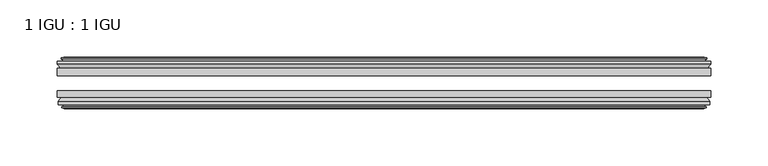
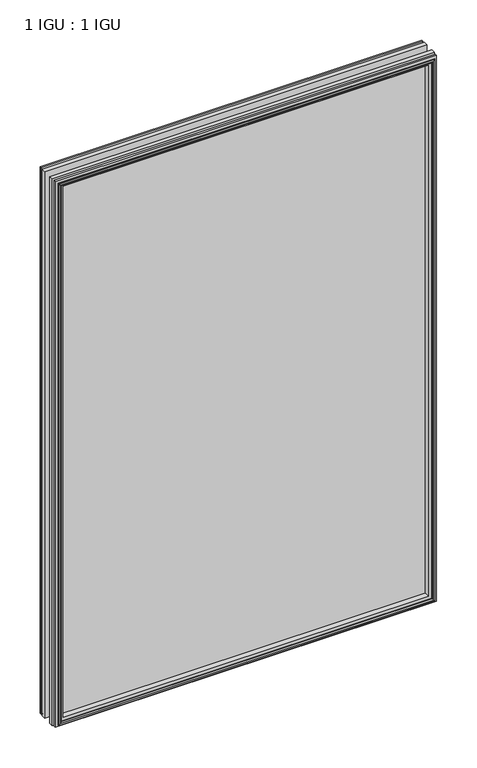
"""IFC4 building model written with IfcOpenShell, lengths in millimetres: plate geometry, 1 IGU : 1 IGU."""

from ifc_helpers import new_model, si_unit, frame, origin, place, context, project, spatial, polyline, outline, extrude, faceted_brep, source, transform, mapped, element, save


def plate_1_igu_1_igu_31ff0bc5(model_context):
    return source(origin(), model_context, "Body", "SolidModel", [
        extrude(outline(polyline([(285.7499997, -25.8960937), (285.7499997, -32.2460938), (-285.7499997, -32.2460938), (-285.7499997, -25.8960937), (285.7499997, -25.8960937)])), frame((0.0, 0.0, -12.7), z_axis=(0.0, 0.0, 1.0), x_axis=(1.0, 0.0, 0.0)), (0.0, 0.0, 1.0), 863.6),
        extrude(outline(polyline([(-285.7499997, -51.2960938), (-285.7499997, -45.2686737), (285.7499997, -45.2686737), (285.7499997, -51.2960938), (-285.7499997, -51.2960938)])), frame((0.0, 0.0, -12.7), z_axis=(0.0, 0.0, 1.0), x_axis=(1.0, 0.0, 0.0)), (0.0, 0.0, 1.0), 863.6),
        faceted_brep([(-280.1619997, -60.0262907, 845.312), (-280.5429997, -57.6460937, 845.693), (-280.5429997, -57.6460937, -7.493), (-280.1619997, -60.0262907, -7.112), (-281.5775287, -59.5663575, 846.727529), (-281.5775287, -59.5663575, -8.5275291), (-281.5775287, -60.3675717, 846.727529), (-281.5775287, -60.3675717, -8.5275291), (-279.3999997, -61.0750937, 844.55), (-279.3999997, -61.0750937, -6.35), (-277.2224706, -60.3675717, 842.3724709), (-277.2224706, -60.3675717, -4.1724709), (-277.2224706, -59.5663575, 842.3724709), (-277.2224706, -59.5663575, -4.1724709), (-278.6379997, -60.0262907, 843.788), (-278.6379997, -60.0262907, -5.588), (-278.2569997, -57.6460937, 843.407), (-278.2569997, -57.6460937, -5.207), (-271.3322816, -51.2960937, 836.4822819), (-273.0499997, -57.6460937, 838.2), (-273.0499997, -57.6460937, 0.0), (-271.3322816, -51.2960937, 1.7177181), (-284.9879997, -54.6996937, 850.138), (-282.1536575, -51.2960937, 847.3036578), (-282.1536575, -51.2960937, -9.1036578), (-284.9879997, -54.6996937, -11.938), (-284.9879997, -57.6460937, 850.138), (-284.9879997, -57.6460937, -11.938), (280.5429997, -57.6460938, -7.493), (280.1619997, -60.0262907, -7.112), (281.5775287, -59.5663575, -8.5275291), (281.5775287, -60.3675717, -8.5275291), (279.3999997, -61.0750937, -6.35), (277.2224706, -60.3675717, -4.1724709), (277.2224706, -59.5663575, -4.1724709), (278.6379997, -60.0262907, -5.588), (278.2569997, -57.6460937, -5.207), (273.0499997, -57.6460937, 0.0), (271.3322816, -51.2960937, 1.7177181), (282.1536575, -51.2960937, -9.1036578), (284.9879997, -54.6996937, -11.938), (284.9879997, -57.6460938, -11.938), (280.5429997, -57.6460938, 845.693), (280.1619997, -60.0262907, 845.312), (281.5775287, -59.5663575, 846.727529), (281.5775287, -60.3675717, 846.727529), (279.3999997, -61.0750937, 844.55), (277.2224706, -60.3675717, 842.3724709), (277.2224706, -59.5663575, 842.3724709), (278.6379997, -60.0262907, 843.788), (278.2569997, -57.6460937, 843.407), (273.0499997, -57.6460937, 838.2), (271.3322816, -51.2960937, 836.4822819), (282.1536575, -51.2960937, 847.3036578), (284.9879997, -54.6996937, 850.138), (284.9879997, -57.6460938, 850.138)], [[[0, 1, 2, 3]], [[4, 0, 3, 5]], [[6, 4, 5, 7]], [[8, 6, 7, 9]], [[10, 8, 9, 11]], [[12, 10, 11, 13]], [[14, 12, 13, 15]], [[16, 14, 15, 17]], [[18, 19, 20, 21]], [[22, 23, 24, 25]], [[26, 22, 25, 27]], [[3, 2, 28, 29]], [[5, 3, 29, 30]], [[7, 5, 30, 31]], [[9, 7, 31, 32]], [[11, 9, 32, 33]], [[13, 11, 33, 34]], [[15, 13, 34, 35]], [[17, 15, 35, 36]], [[21, 20, 37, 38]], [[25, 24, 39, 40]], [[27, 25, 40, 41]], [[29, 28, 42, 43]], [[30, 29, 43, 44]], [[31, 30, 44, 45]], [[32, 31, 45, 46]], [[33, 32, 46, 47]], [[34, 33, 47, 48]], [[35, 34, 48, 49]], [[36, 35, 49, 50]], [[38, 37, 51, 52]], [[40, 39, 53, 54]], [[41, 40, 54, 55]], [[27, 41, 55, 26], [1, 42, 28, 2]], [[43, 42, 1, 0]], [[44, 43, 0, 4]], [[45, 44, 4, 6]], [[46, 45, 6, 8]], [[47, 46, 8, 10]], [[48, 47, 10, 12]], [[49, 48, 12, 14]], [[50, 49, 14, 16]], [[17, 36, 50, 16], [19, 51, 37, 20]], [[52, 51, 19, 18]], [[23, 53, 39, 24], [21, 38, 52, 18]], [[54, 53, 23, 22]], [[55, 54, 22, 26]]]),
        faceted_brep([(-282.6743575, -25.8960937, 847.8243578), (-285.5086997, -22.4924937, 850.6587), (-285.5086997, -22.4924937, -12.4587), (-282.6743575, -25.8960937, -9.6243578), (-273.5706997, -19.5460937, 838.7207), (-271.8529816, -25.8960937, 837.0029819), (-271.8529816, -25.8960937, 1.1970181), (-273.5706997, -19.5460937, -0.5207), (-279.1586997, -17.1658968, 844.3087), (-278.7776997, -19.5460937, 843.9277), (-278.7776997, -19.5460937, -5.7277), (-279.1586997, -17.1658968, -6.1087), (-277.7431706, -17.62583, 842.8931709), (-277.7431706, -17.62583, -4.6931709), (-277.7431706, -16.8246158, 842.8931709), (-277.7431706, -16.8246158, -4.6931709), (-279.9206997, -16.1170937, 845.0707), (-279.9206997, -16.1170937, -6.8707), (-282.0982287, -16.8246158, 847.248229), (-282.0982287, -16.8246158, -9.0482291), (-282.0982287, -17.62583, 847.248229), (-282.0982287, -17.62583, -9.0482291), (-280.6826997, -17.1658968, 845.8327), (-280.6826997, -17.1658968, -7.6327), (-281.0636997, -19.5460937, 846.2137), (-281.0636997, -19.5460937, -8.0137), (-285.5086997, -19.5460937, 850.6587), (-285.5086997, -19.5460937, -12.4587), (285.5086997, -22.4924937, -12.4587), (282.6743575, -25.8960937, -9.6243578), (271.8529816, -25.8960937, 1.1970181), (273.5706997, -19.5460937, -0.5207), (278.7776997, -19.5460937, -5.7277), (279.1586997, -17.1658968, -6.1087), (277.7431706, -17.62583, -4.6931709), (277.7431706, -16.8246158, -4.6931709), (279.9206997, -16.1170937, -6.8707), (282.0982287, -16.8246158, -9.0482291), (282.0982287, -17.62583, -9.0482291), (280.6826997, -17.1658968, -7.6327), (281.0636997, -19.5460937, -8.0137), (285.5086997, -19.5460937, -12.4587), (285.5086997, -22.4924937, 850.6587), (282.6743575, -25.8960937, 847.8243578), (271.8529816, -25.8960937, 837.0029819), (273.5706997, -19.5460937, 838.7207), (278.7776997, -19.5460937, 843.9277), (279.1586997, -17.1658968, 844.3087), (277.7431706, -17.62583, 842.8931709), (277.7431706, -16.8246158, 842.8931709), (279.9206997, -16.1170937, 845.0707), (282.0982287, -16.8246158, 847.248229), (282.0982287, -17.62583, 847.248229), (280.6826997, -17.1658968, 845.8327), (281.0636997, -19.5460937, 846.2137), (285.5086997, -19.5460937, 850.6587)], [[[0, 1, 2, 3]], [[4, 5, 6, 7]], [[8, 9, 10, 11]], [[12, 8, 11, 13]], [[14, 12, 13, 15]], [[16, 14, 15, 17]], [[18, 16, 17, 19]], [[20, 18, 19, 21]], [[22, 20, 21, 23]], [[24, 22, 23, 25]], [[1, 26, 27, 2]], [[3, 2, 28, 29]], [[7, 6, 30, 31]], [[11, 10, 32, 33]], [[13, 11, 33, 34]], [[15, 13, 34, 35]], [[17, 15, 35, 36]], [[19, 17, 36, 37]], [[21, 19, 37, 38]], [[23, 21, 38, 39]], [[25, 23, 39, 40]], [[2, 27, 41, 28]], [[29, 28, 42, 43]], [[31, 30, 44, 45]], [[33, 32, 46, 47]], [[34, 33, 47, 48]], [[35, 34, 48, 49]], [[36, 35, 49, 50]], [[37, 36, 50, 51]], [[38, 37, 51, 52]], [[39, 38, 52, 53]], [[40, 39, 53, 54]], [[28, 41, 55, 42]], [[43, 42, 1, 0]], [[3, 29, 43, 0], [5, 44, 30, 6]], [[45, 44, 5, 4]], [[9, 46, 32, 10], [7, 31, 45, 4]], [[47, 46, 9, 8]], [[48, 47, 8, 12]], [[49, 48, 12, 14]], [[50, 49, 14, 16]], [[51, 50, 16, 18]], [[52, 51, 18, 20]], [[53, 52, 20, 22]], [[54, 53, 22, 24]], [[26, 55, 41, 27], [25, 40, 54, 24]], [[42, 55, 26, 1]]]),
    ])


if __name__ == "__main__":
    model = new_model("IFC4")
    model_context = context("Model", 3, world=origin())
    ifc_project = project(units=[si_unit("LENGTHUNIT", "METRE", prefix="MILLI")], contexts=[model_context])
    site = spatial("IfcSite", under=ifc_project)
    building = spatial("IfcBuilding", under=site)
    placement = place(None, origin())
    plate_1_igu_1_igu_shape = plate_1_igu_1_igu_31ff0bc5(model_context)
    element("IfcPlate", 1, ObjectType="1 IGU : 1 IGU", at=placement, inside=building, context=model_context, shape_type="MappedRepresentation", body=[
        mapped(plate_1_igu_1_igu_shape, transform((0.0, 0.0, 0.0), x_axis=(1.0, 0.0, 0.0), y_axis=(0.0, 1.0, 0.0), z_axis=(0.0, 0.0, 1.0))),
    ])
    save(model, "model.ifc")
